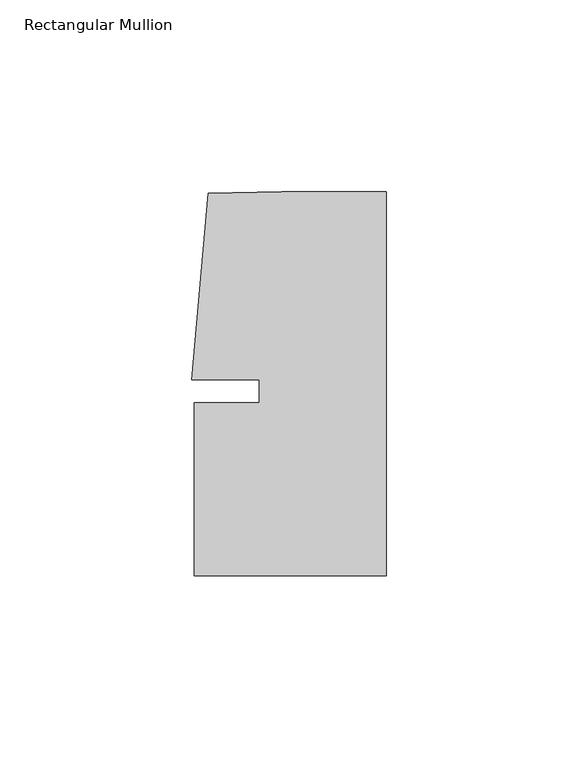
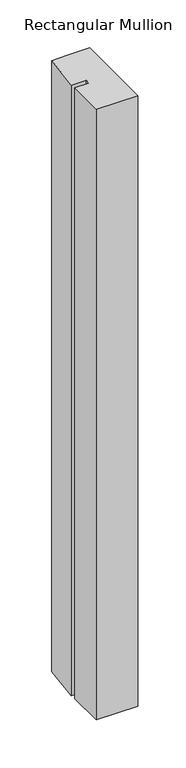
"""IFC4 building model written with IfcOpenShell, lengths in millimetres: member geometry, Rectangular Mullion."""

from ifc_helpers import new_model, si_unit, frame, origin, place, context, project, spatial, polyline, outline, extrude, source, transform, mapped, element, save


def rectangular_mullion_d888496b(model_context):
    return source(origin(), model_context, "Body", "SweptSolid", [
        extrude(outline(polyline([(-33.0004671, -3.0000287), (-33.0004665, 2.9999885), (-50.6129097, 2.9999903), (-46.3623019, 51.5846059), (-27.2554335, 51.9999707), (0.0, 51.999968), (-9.8e-06, -48.0000271), (-50.0000098, -48.0000271), (-50.0000054, -3.0000271), (-33.0004671, -3.0000287)])), frame((0.0, 0.0, -777.9996774), z_axis=(0.0, 0.0, 1.0), x_axis=(1.0, 0.0, 0.0)), (0.0, 0.0, 1.0), 777.9996774),
    ])


if __name__ == "__main__":
    model = new_model("IFC4")
    model_context = context("Model", 3, world=origin())
    ifc_project = project(units=[si_unit("LENGTHUNIT", "METRE", prefix="MILLI")], contexts=[model_context])
    site = spatial("IfcSite", under=ifc_project)
    building = spatial("IfcBuilding", under=site)
    placement = place(None, origin())
    rectangular_mullion_shape = rectangular_mullion_d888496b(model_context)
    element("IfcMember", 1, ObjectType="Rectangular Mullion", at=placement, inside=building, context=model_context, shape_type="MappedRepresentation", body=[
        mapped(rectangular_mullion_shape, transform((0.0, 0.0, 0.0), x_axis=(1.0, 0.0, 0.0), y_axis=(0.0, 1.0, 0.0), z_axis=(0.0, 0.0, 1.0))),
    ])
    save(model, "model.ifc")
